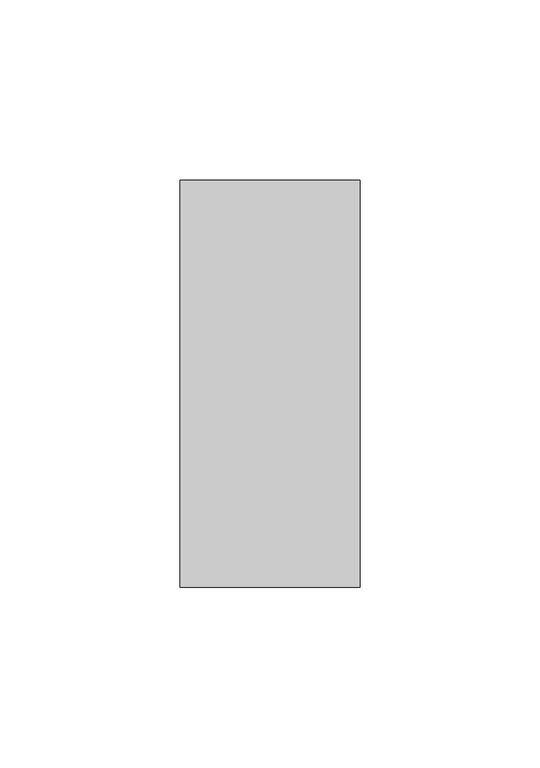
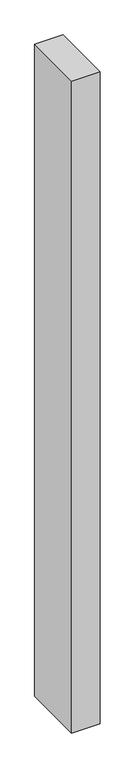
"""IFC4 building model written with IfcOpenShell, lengths in millimetres: member geometry."""

from ifc_helpers import new_model, si_unit, frame, origin, place, context, project, spatial, polyline, outline, extrude, source, transform, mapped, element, save


def member_1de1992b(model_context):
    return source(origin(), model_context, "Body", "SweptSolid", [
        extrude(outline(polyline([(-25.0, -22.0), (-25.0, 91.0), (25.0, 91.0), (25.0, -22.0), (-25.0, -22.0)])), frame((0.0, 0.0, -1212.5), z_axis=(0.0, 0.0, 1.0), x_axis=(1.0, 0.0, 0.0)), (0.0, 0.0, 1.0), 1212.5),
    ])


if __name__ == "__main__":
    model = new_model("IFC4")
    model_context = context("Model", 3, world=origin())
    ifc_project = project(units=[si_unit("LENGTHUNIT", "METRE", prefix="MILLI")], contexts=[model_context])
    site = spatial("IfcSite", under=ifc_project)
    building = spatial("IfcBuilding", under=site)
    placement = place(None, origin())
    member_shape = member_1de1992b(model_context)
    element("IfcMember", 1, at=placement, inside=building, context=model_context, shape_type="MappedRepresentation", body=[
        mapped(member_shape, transform((0.0, 0.0, 0.0), x_axis=(1.0, 0.0, 0.0), y_axis=(0.0, 1.0, 0.0), z_axis=(0.0, 0.0, 1.0))),
    ])
    save(model, "model.ifc")
